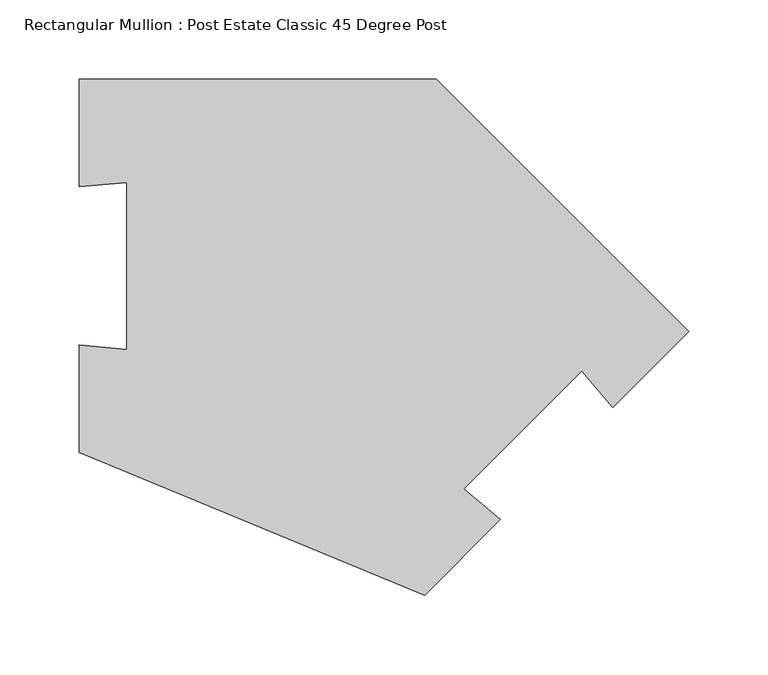
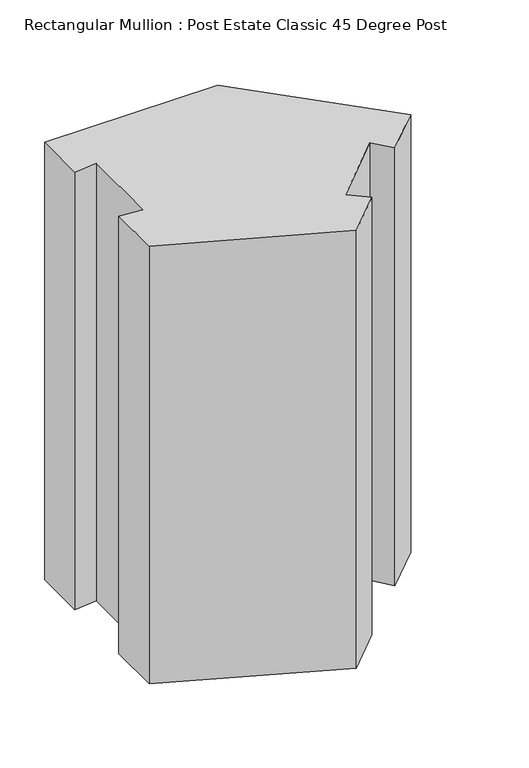
"""IFC4 building model written with IfcOpenShell, lengths in millimetres: member geometry, Rectangular Mullion : Post Estate Classic 45 Degree Post."""

from ifc_helpers import new_model, si_unit, frame, origin, place, context, project, spatial, polyline, outline, extrude, source, transform, mapped, element, save


def rectangular_mullion_post_estate_classic_45_degree_post_bbf68ca1(model_context):
    return source(origin(), model_context, "Body", "SweptSolid", [
        extrude(outline(polyline([(-383.1196126, 117.3853277), (-158.6933396, 117.3853277), (0.0, -41.3080118), (-47.7297077, -89.0377196), (-67.013336, -66.0563863), (-141.259548, -140.3025983), (-118.2782148, -159.5862266), (-166.0079225, -207.3159343), (-383.1196126, -117.3853277), (-383.1196126, -49.8853277), (-353.2337717, -52.5), (-353.2337717, 52.5), (-383.1196126, 49.8853277), (-383.1196126, 117.3853277)])), frame((0.0, 0.0, -600.0), z_axis=(0.0, 0.0, 1.0), x_axis=(1.0, 0.0, 0.0)), (0.0, 0.0, 1.0), 600.0),
    ])


if __name__ == "__main__":
    model = new_model("IFC4")
    model_context = context("Model", 3, world=origin())
    ifc_project = project(units=[si_unit("LENGTHUNIT", "METRE", prefix="MILLI")], contexts=[model_context])
    site = spatial("IfcSite", under=ifc_project)
    building = spatial("IfcBuilding", under=site)
    placement = place(None, origin())
    rectangular_mullion_post_estate_classic_45_degree_post_shape = rectangular_mullion_post_estate_classic_45_degree_post_bbf68ca1(model_context)
    element("IfcMember", 1, ObjectType="Rectangular Mullion : Post Estate Classic 45 Degree Post", at=placement, inside=building, context=model_context, shape_type="MappedRepresentation", body=[
        mapped(rectangular_mullion_post_estate_classic_45_degree_post_shape, transform((0.0, 0.0, 0.0), x_axis=(1.0, 0.0, 0.0), y_axis=(0.0, 1.0, 0.0), z_axis=(0.0, 0.0, 1.0))),
    ])
    save(model, "model.ifc")
